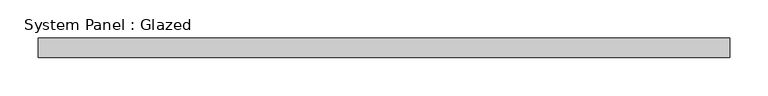
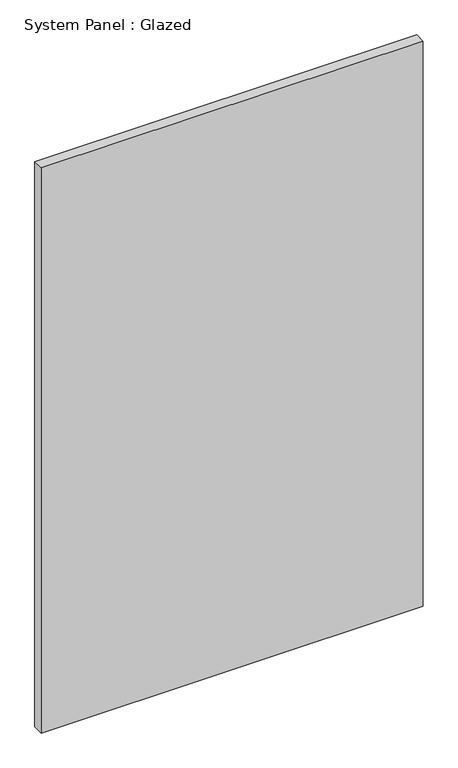
"""IFC4 building model written with IfcOpenShell, lengths in millimetres: plate geometry, System Panel : Glazed."""

from ifc_helpers import new_model, si_unit, origin, origin_with_axes, place, context, project, spatial, polyline, outline, extrude, source, transform, mapped, element, save


def system_panel_glazed_df879e6e(model_context):
    return source(origin(), model_context, "Body", "SweptSolid", [
        extrude(outline(polyline([(450.85, -44.45), (-450.85, -44.45), (-450.85, -19.05), (450.85, -19.05), (450.85, -44.45)])), origin_with_axes(), (0.0, 0.0, 1.0), 1409.7),
    ])


if __name__ == "__main__":
    model = new_model("IFC4")
    model_context = context("Model", 3, world=origin())
    ifc_project = project(units=[si_unit("LENGTHUNIT", "METRE", prefix="MILLI")], contexts=[model_context])
    site = spatial("IfcSite", under=ifc_project)
    building = spatial("IfcBuilding", under=site)
    placement = place(None, origin())
    system_panel_glazed_shape = system_panel_glazed_df879e6e(model_context)
    element("IfcPlate", 1, ObjectType="System Panel : Glazed", at=placement, inside=building, context=model_context, shape_type="MappedRepresentation", body=[
        mapped(system_panel_glazed_shape, transform((0.0, 0.0, 0.0), x_axis=(1.0, 0.0, 0.0), y_axis=(0.0, 1.0, 0.0), z_axis=(0.0, 0.0, 1.0))),
    ])
    save(model, "model.ifc")
